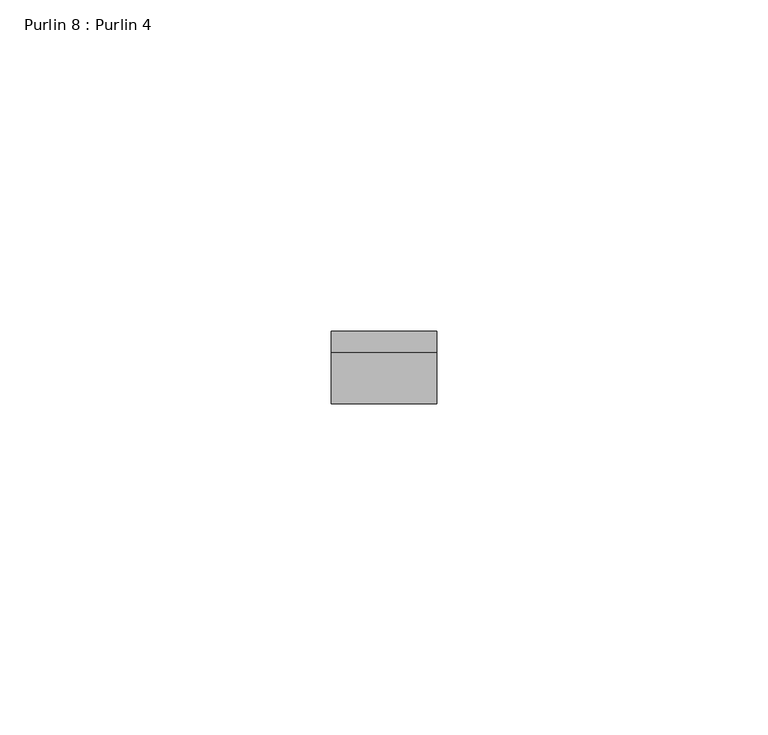
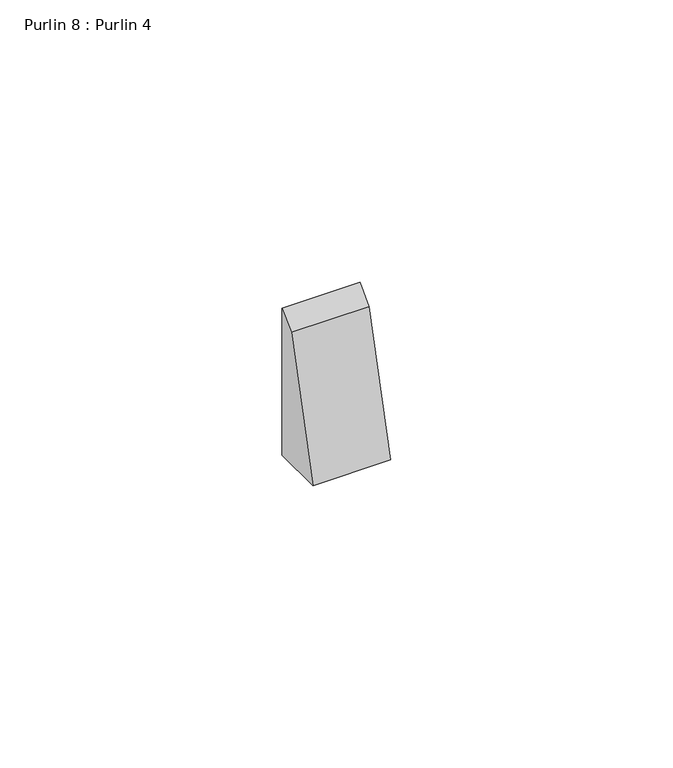
"""IFC4 building model written with IfcOpenShell, lengths in millimetres: proxy geometry, Purlin 8 : Purlin 4."""

from ifc_helpers import new_model, si_unit, frame, origin, place, context, project, spatial, polyline, outline, extrude, source, transform, mapped, element, save


def purlin_8_purlin_4_25cb8b69(model_context):
    return source(origin(), model_context, "Body", "SweptSolid", [
        extrude(outline(polyline([(6859.3988918, 1681.283574), (6867.0378652, 1709.792611), (6870.2788282, 1713.033574), (6870.2788282, 1681.283574), (6859.3988918, 1681.283574)])), frame((-5138.086916, 0.0, 0.0), z_axis=(1.0, 0.0, 0.0), x_axis=(0.0, 1.0, 0.0)), (0.0, 0.0, 1.0), 15.869307),
    ])


if __name__ == "__main__":
    model = new_model("IFC4")
    model_context = context("Model", 3, world=origin())
    ifc_project = project(units=[si_unit("LENGTHUNIT", "METRE", prefix="MILLI")], contexts=[model_context])
    site = spatial("IfcSite", under=ifc_project)
    building = spatial("IfcBuilding", under=site)
    placement = place(None, origin())
    purlin_8_purlin_4_shape = purlin_8_purlin_4_25cb8b69(model_context)
    element("IfcBuildingElementProxy", 1, Name="Purlin 8 : Purlin 4", ObjectType="Purlin 8 : Purlin 4", at=placement, inside=building, context=model_context, shape_type="MappedRepresentation", body=[
        mapped(purlin_8_purlin_4_shape, transform((0.0, 0.0, 0.0), x_axis=(1.0, 0.0, 0.0), y_axis=(0.0, 1.0, 0.0), z_axis=(0.0, 0.0, 1.0))),
    ])
    save(model, "model.ifc")
